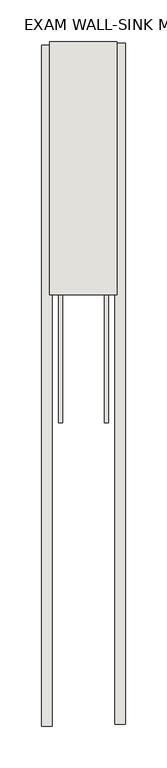
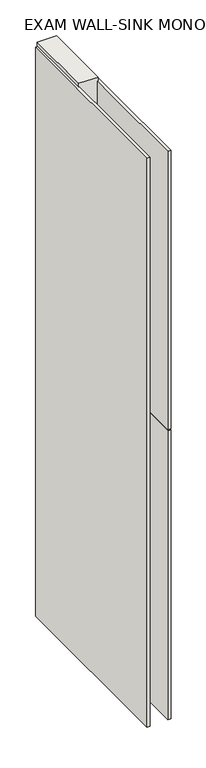
"""IFC4 building model written with IfcOpenShell, lengths in millimetres: wall geometry, EXAM WALL-SINK MONO : EXAM WALL-SINK MONO."""

import ifcopenshell
import ifcopenshell.guid

model = None  # the IFC model being written
_history = None  # IfcOwnerHistory: only IFC2X3 demands one
_inside = {}  # id of a spatial element -> (the spatial element, [elements in it])
_under = {}  # id of a project, library or spatial element -> (it, [spatial elements below it])
_declared = {}  # id of a project -> (the project, [libraries it declares])
_typed = {}  # id of a type object -> (the type object, [elements of that type])
_made_of = {}  # id of a material, layer set ... -> (it, [elements and type objects made of it])


def new_model(schema):
    """Start an empty IFC model of exactly this schema.

    Asked for "IFC4X3", IfcOpenShell would pick the latest addendum, in which some entities
    have other attributes; the version numbers below select the first issue.
    IFC2X3 requires an IfcOwnerHistory on every rooted entity: one is made here for all.
    """
    global model, _history
    if schema == "IFC4X3":
        model = ifcopenshell.file(schema_version=(4, 3, 0, 0))
    else:
        model = ifcopenshell.file(schema=schema)
    _inside.clear()
    _under.clear()
    _declared.clear()
    _typed.clear()
    _made_of.clear()
    _history = None
    if model.schema == "IFC2X3":
        org = make("IfcOrganization", Name="unknown")
        user = make(
            "IfcPersonAndOrganization",
            ThePerson=make("IfcPerson", FamilyName="unknown"),
            TheOrganization=org,
        )
        app = make(
            "IfcApplication",
            ApplicationDeveloper=org,
            Version="unknown",
            ApplicationFullName="unknown",
            ApplicationIdentifier="unknown",
        )
        _history = make(
            "IfcOwnerHistory",
            OwningUser=user,
            OwningApplication=app,
            ChangeAction="ADDED",
            CreationDate=0,
        )
    return model


def make(cls, **values):
    """One entity of the class cls with the attributes given. An attribute that is None is left unset."""
    return model.create_entity(
        cls, **{name: value for name, value in values.items() if value is not None}
    )


def rooted(cls, **values):
    """An entity with a GlobalId (a new one), such as an element, a storey or a relation."""
    return make(cls, GlobalId=ifcopenshell.guid.new(), OwnerHistory=_history, **values)


def si_unit(unit_type, name, prefix=None):
    """IfcSIUnit, for example si_unit("LENGTHUNIT", "METRE", prefix="MILLI")."""
    return make("IfcSIUnit", UnitType=unit_type, Prefix=prefix, Name=name)


def assignment(units):
    """IfcUnitAssignment: the units of a project."""
    return None if units is None else make("IfcUnitAssignment", Units=units)


def point(xyz):
    """IfcCartesianPoint."""
    return None if xyz is None else make("IfcCartesianPoint", Coordinates=xyz)


def direction(xyz):
    """IfcDirection."""
    return None if xyz is None else make("IfcDirection", DirectionRatios=xyz)


def frame(location, z_axis=None, x_axis=None):
    """IfcAxis2Placement3D, a coordinate frame: its origin and axes. An axis left out is left unset."""
    return make(
        "IfcAxis2Placement3D",
        Location=point(location),
        Axis=direction(z_axis),
        RefDirection=direction(x_axis),
    )


def origin():
    """The frame at (0, 0, 0) with its axes left unset."""
    return frame((0.0, 0.0, 0.0))


def place(relative_to, where):
    """IfcLocalPlacement: puts the frame where relative to a parent placement (None: the world)."""
    return make(
        "IfcLocalPlacement", PlacementRelTo=relative_to, RelativePlacement=where
    )


def context(
    kind, dimensions, precision=None, world=None, true_north=None, identifier=None
):
    """IfcGeometricRepresentationContext, for example the 3D "Model" context."""
    return make(
        "IfcGeometricRepresentationContext",
        ContextIdentifier=identifier,
        ContextType=kind,
        CoordinateSpaceDimension=dimensions,
        Precision=precision,
        WorldCoordinateSystem=world,
        TrueNorth=true_north,
    )


def project(units=None, contexts=None):
    """IfcProject with its units and contexts."""
    return rooted(
        "IfcProject",
        Name="project",
        RepresentationContexts=contexts,
        UnitsInContext=assignment(units),
    )


def spatial(cls, under=None, at=None, **own):
    """A site, building, storey or space (cls), placed at a placement, below another one or the project."""
    s = rooted(cls, ObjectPlacement=at, **own)
    if under is not None:
        _under.setdefault(under.id(), (under, []))[1].append(s)
    return s


def polyline(points):
    """IfcPolyline through the points."""
    return make("IfcPolyline", Points=[point(p) for p in points])


def outline(outer, holes=None, kind="AREA"):
    """IfcArbitraryClosedProfileDef: a profile drawn as a closed curve; with holes, ...WithVoids."""
    if holes is None:
        return make("IfcArbitraryClosedProfileDef", ProfileType=kind, OuterCurve=outer)
    return make(
        "IfcArbitraryProfileDefWithVoids",
        ProfileType=kind,
        OuterCurve=outer,
        InnerCurves=holes,
    )


def extrude(swept, where, along, depth):
    """IfcExtrudedAreaSolid: the profile swept, set in the frame where, extruded along a direction by depth."""
    return make(
        "IfcExtrudedAreaSolid",
        SweptArea=swept,
        Position=where,
        ExtrudedDirection=direction(along),
        Depth=depth,
    )


def shape(context_of_items, identifier, shape_type, items):
    """IfcShapeRepresentation: the items that make up one representation, for example the "Body"."""
    return make(
        "IfcShapeRepresentation",
        ContextOfItems=context_of_items,
        RepresentationIdentifier=identifier,
        RepresentationType=shape_type,
        Items=items,
    )


def source(mapping_origin, context_of_items, identifier, shape_type, items):
    """IfcRepresentationMap: a shape defined once, which mapped items show again and again."""
    return make(
        "IfcRepresentationMap",
        MappingOrigin=mapping_origin,
        MappedRepresentation=shape(context_of_items, identifier, shape_type, items),
    )


def transform(
    local_origin,
    x_axis=None,
    y_axis=None,
    z_axis=None,
    scale=None,
    scale2=None,
    scale3=None,
    uniform=True,
):
    """IfcCartesianTransformationOperator3D, or its non-uniform kind. x_axis, y_axis, z_axis: its Axis1, 2, 3."""
    if uniform:
        return make(
            "IfcCartesianTransformationOperator3D",
            Axis1=direction(x_axis),
            Axis2=direction(y_axis),
            LocalOrigin=point(local_origin),
            Scale=scale,
            Axis3=direction(z_axis),
        )
    return make(
        "IfcCartesianTransformationOperator3DnonUniform",
        Axis1=direction(x_axis),
        Axis2=direction(y_axis),
        LocalOrigin=point(local_origin),
        Scale=scale,
        Axis3=direction(z_axis),
        Scale2=scale2,
        Scale3=scale3,
    )


def mapped(mapping_source, mapping_target):
    """IfcMappedItem: shows the shape of a source again, moved by a transform."""
    return make(
        "IfcMappedItem", MappingSource=mapping_source, MappingTarget=mapping_target
    )


def made_of(thing, what):
    """Note that an element or type object is made of a material, layer set ...; save() writes the relation."""
    if what is not None:
        _made_of.setdefault(what.id(), (what, []))[1].append(thing)
    return thing


def element(
    cls,
    number,
    at=None,
    inside=None,
    cuts=None,
    type_object=None,
    material=None,
    context=None,
    identifier="Body",
    shape_type=None,
    held_by="IfcProductDefinitionShape",
    body=None,
    shapes=None,
    **own,
):
    """One element of the class cls, such as IfcWall. Its Tag is "e" and its number.

    at: its placement. inside: the storey or other place that contains it. cuts: it is an
    opening in that element (IfcRelVoidsElement). A single representation is given by context,
    identifier, shape_type and body (its items); several are given by shapes. held_by: the class
    of the entity that holds the representations. save() writes the other relations.
    """
    e = rooted(cls, Tag="e%d" % number, ObjectPlacement=at, **own)
    if body is not None:
        shapes = [shape(context, identifier, shape_type, body)]
    if shapes is not None:
        e.Representation = make(held_by, Representations=shapes)
    if inside is not None:
        _inside.setdefault(inside.id(), (inside, []))[1].append(e)
    if cuts is not None:
        rooted(
            "IfcRelVoidsElement", RelatingBuildingElement=cuts, RelatedOpeningElement=e
        )
    if type_object is not None:
        _typed.setdefault(type_object.id(), (type_object, []))[1].append(e)
    return made_of(e, material)


def aggregate(whole, parts):
    """IfcRelAggregates: a whole, such as a stair, and the parts it consists of."""
    return rooted("IfcRelAggregates", RelatingObject=whole, RelatedObjects=parts)


def save(model, path):
    """Write the relations noted so far, then the file.

    IfcRelAggregates (storeys below a building ...), IfcRelContainedInSpatialStructure (elements
    in a storey), IfcRelDefinesByType, IfcRelAssociatesMaterial and IfcRelDeclares: one each for
    every whole, place, type object, material and project.
    """
    for whole, parts in _under.values():
        aggregate(whole, parts)
    for where, things in _inside.values():
        rooted(
            "IfcRelContainedInSpatialStructure",
            RelatedElements=things,
            RelatingStructure=where,
        )
    for kind, things in _typed.values():
        rooted("IfcRelDefinesByType", RelatedObjects=things, RelatingType=kind)
    for what, things in _made_of.values():
        rooted("IfcRelAssociatesMaterial", RelatedObjects=things, RelatingMaterial=what)
    for by, libraries in _declared.values():
        rooted("IfcRelDeclares", RelatingContext=by, RelatedDefinitions=libraries)
    model.write(path)


def exam_wall_sink_mono_exam_wall_sink_mono_ff0b2ff9(model_context):
    return source(origin(), model_context, "Body", "SweptSolid", [
        extrude(outline(polyline([(66349.282211, -44754.2307352), (66349.282211, -44756.7707352), (66346.742211, -44756.7707352), (66346.742211, -44754.2307352), (66349.282211, -44754.2307352)])), frame((0.0, 0.0, 4419.6), z_axis=(0.0, 0.0, 1.0), x_axis=(1.0, 0.0, 0.0)), (0.0, 0.0, 1.0), 2.54),
        extrude(outline(polyline([(66297.212211, -45578.6100618), (66297.212211, -44758.6975538), (66309.912211, -44758.6975538), (66309.912211, -45578.6100618), (66297.212211, -45578.6100618)])), frame((0.0, 0.0, 4445.0), z_axis=(0.0, 0.0, 1.0), x_axis=(1.0, 0.0, 0.0)), (0.0, 0.0, 1.0), 2545.0498756),
        extrude(outline(polyline([(66398.812211, -44756.2325854), (66398.812211, -45576.1450934), (66386.112211, -45576.1450934), (66386.112211, -44756.2325854), (66398.812211, -44756.2325854)])), frame((0.0, 0.0, 4445.0), z_axis=(0.0, 0.0, 1.0), x_axis=(1.0, 0.0, 0.0)), (0.0, 0.0, 1.0), 1293.400004),
        extrude(outline(polyline([(66398.812211, -44756.2325854), (66398.812211, -45576.1450934), (66386.112211, -45576.1450934), (66386.112211, -44756.2325854), (66398.812211, -44756.2325854)])), frame((0.0, 0.0, 5742.4000722), z_axis=(0.0, 0.0, 1.0), x_axis=(1.0, 0.0, 0.0)), (0.0, 0.0, 1.0), 1247.649905),
        extrude(outline(polyline([(66322.9284664, -44754.2418858), (66322.9284664, -45213.0169906), (66317.849711, -45213.0169906), (66317.849711, -44754.2418858), (66322.9284664, -44754.2418858)])), frame((0.0, 0.0, 4418.6602), z_axis=(0.0, 0.0, 1.0), x_axis=(1.0, 0.0, 0.0)), (0.0, 0.0, 1.0), 47.625),
        extrude(outline(polyline([(66322.9284664, -44754.2418858), (66322.9284664, -45213.0169906), (66317.849711, -45213.0169906), (66317.849711, -44754.2418858), (66322.9284664, -44754.2418858)])), frame((0.0, 0.0, 4418.6602), z_axis=(0.0, 0.0, 1.0), x_axis=(1.0, 0.0, 0.0)), (0.0, 0.0, 1.0), 47.625),
        extrude(outline(polyline([(66373.0959556, -45213.0169906), (66373.0959556, -44754.2418858), (66378.174711, -44754.2418858), (66378.174711, -45213.0169906), (66373.0959556, -45213.0169906)])), frame((0.0, 0.0, 4418.6602), z_axis=(0.0, 0.0, 1.0), x_axis=(1.0, 0.0, 0.0)), (0.0, 0.0, 1.0), 47.625),
        extrude(outline(polyline([(66373.0959556, -45213.0169906), (66373.0959556, -44754.2418858), (66378.174711, -44754.2418858), (66378.174711, -45213.0169906), (66373.0959556, -45213.0169906)])), frame((0.0, 0.0, 4418.6602), z_axis=(0.0, 0.0, 1.0), x_axis=(1.0, 0.0, 0.0)), (0.0, 0.0, 1.0), 47.625),
        extrude(outline(polyline([(66307.3573266, -44754.2418858), (66388.6670954, -44754.2418858), (66388.6670954, -45059.0418858), (66307.3573266, -45059.0418858), (66307.3573266, -44754.2418858)])), frame((0.0, 0.0, 4445.0), z_axis=(0.0, 0.0, 1.0), x_axis=(1.0, 0.0, 0.0)), (0.0, 0.0, 1.0), 2562.4536762),
    ])


if __name__ == "__main__":
    model = new_model("IFC4")
    model_context = context("Model", 3, world=origin())
    ifc_project = project(units=[si_unit("LENGTHUNIT", "METRE", prefix="MILLI")], contexts=[model_context])
    site = spatial("IfcSite", under=ifc_project)
    building = spatial("IfcBuilding", under=site)
    placement = place(None, origin())
    exam_wall_sink_mono_exam_wall_sink_mono_shape = exam_wall_sink_mono_exam_wall_sink_mono_ff0b2ff9(model_context)
    element("IfcWall", 1, ObjectType="EXAM WALL-SINK MONO : EXAM WALL-SINK MONO", at=placement, inside=building, context=model_context, shape_type="MappedRepresentation", body=[
        mapped(exam_wall_sink_mono_exam_wall_sink_mono_shape, transform((0.0, 0.0, 0.0), x_axis=(1.0, 0.0, 0.0), y_axis=(0.0, 1.0, 0.0), z_axis=(0.0, 0.0, 1.0))),
    ])
    save(model, "model.ifc")
